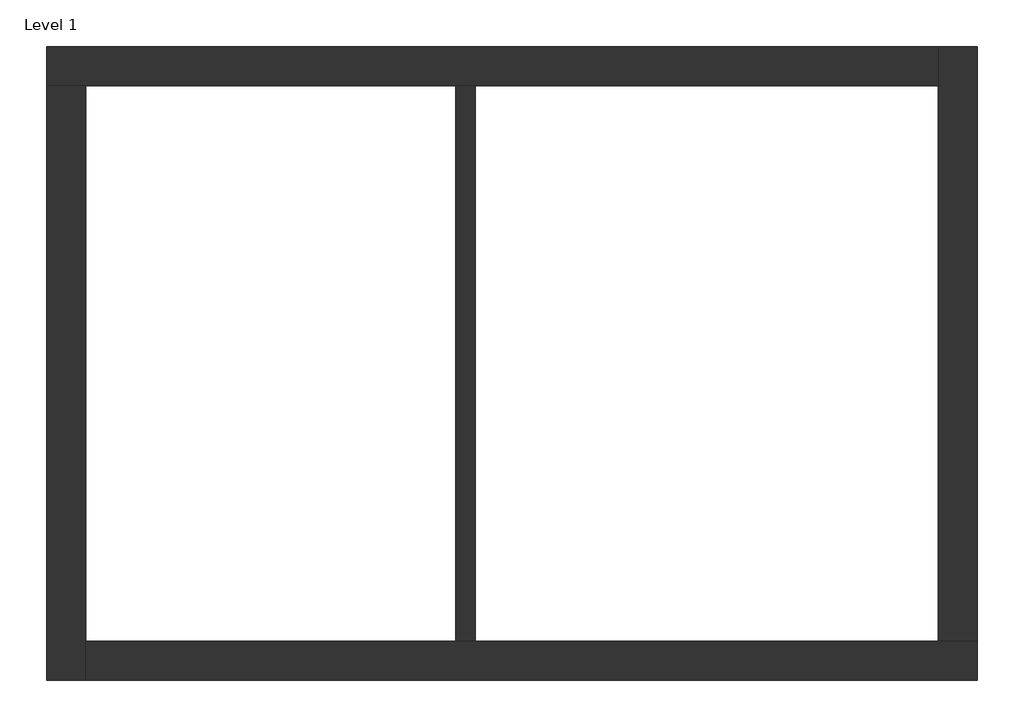
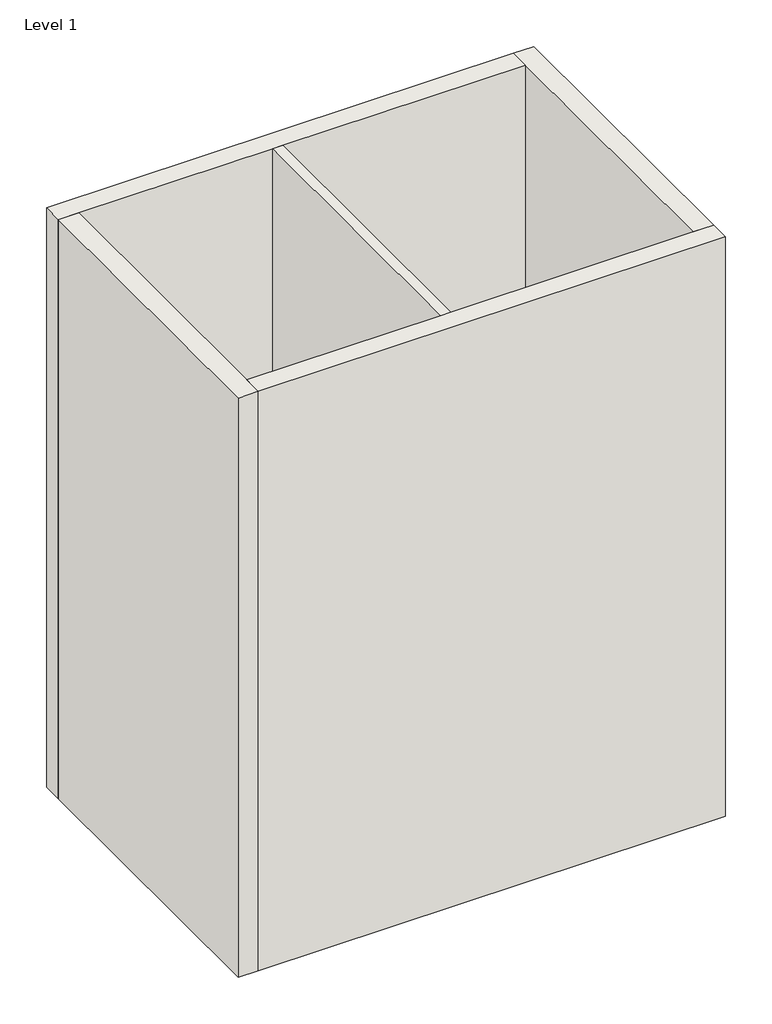
# One storey: 5 walls.
"""IFC4 building model written with IfcOpenShell, lengths in millimetres."""

import ifcopenshell
import ifcopenshell.guid

model = None  # the IFC model being written
_history = None  # IfcOwnerHistory: only IFC2X3 demands one
_inside = {}  # id of a spatial element -> (the spatial element, [elements in it])
_under = {}  # id of a project, library or spatial element -> (it, [spatial elements below it])
_declared = {}  # id of a project -> (the project, [libraries it declares])
_typed = {}  # id of a type object -> (the type object, [elements of that type])
_made_of = {}  # id of a material, layer set ... -> (it, [elements and type objects made of it])


def new_model(schema):
    """Start an empty IFC model of exactly this schema.

    Asked for "IFC4X3", IfcOpenShell would pick the latest addendum, in which some entities
    have other attributes; the version numbers below select the first issue.
    IFC2X3 requires an IfcOwnerHistory on every rooted entity: one is made here for all.
    """
    global model, _history
    if schema == "IFC4X3":
        model = ifcopenshell.file(schema_version=(4, 3, 0, 0))
    else:
        model = ifcopenshell.file(schema=schema)
    _inside.clear()
    _under.clear()
    _declared.clear()
    _typed.clear()
    _made_of.clear()
    _history = None
    if model.schema == "IFC2X3":
        org = make("IfcOrganization", Name="unknown")
        user = make(
            "IfcPersonAndOrganization",
            ThePerson=make("IfcPerson", FamilyName="unknown"),
            TheOrganization=org,
        )
        app = make(
            "IfcApplication",
            ApplicationDeveloper=org,
            Version="unknown",
            ApplicationFullName="unknown",
            ApplicationIdentifier="unknown",
        )
        _history = make(
            "IfcOwnerHistory",
            OwningUser=user,
            OwningApplication=app,
            ChangeAction="ADDED",
            CreationDate=0,
        )
    return model


def make(cls, **values):
    """One entity of the class cls with the attributes given. An attribute that is None is left unset."""
    return model.create_entity(
        cls, **{name: value for name, value in values.items() if value is not None}
    )


def rooted(cls, **values):
    """An entity with a GlobalId (a new one), such as an element, a storey or a relation."""
    return make(cls, GlobalId=ifcopenshell.guid.new(), OwnerHistory=_history, **values)


def si_unit(unit_type, name, prefix=None):
    """IfcSIUnit, for example si_unit("LENGTHUNIT", "METRE", prefix="MILLI")."""
    return make("IfcSIUnit", UnitType=unit_type, Prefix=prefix, Name=name)


def assignment(units):
    """IfcUnitAssignment: the units of a project."""
    return None if units is None else make("IfcUnitAssignment", Units=units)


def point(xyz):
    """IfcCartesianPoint."""
    return None if xyz is None else make("IfcCartesianPoint", Coordinates=xyz)


def direction(xyz):
    """IfcDirection."""
    return None if xyz is None else make("IfcDirection", DirectionRatios=xyz)


def frame(location, z_axis=None, x_axis=None):
    """IfcAxis2Placement3D, a coordinate frame: its origin and axes. An axis left out is left unset."""
    return make(
        "IfcAxis2Placement3D",
        Location=point(location),
        Axis=direction(z_axis),
        RefDirection=direction(x_axis),
    )


def origin():
    """The frame at (0, 0, 0) with its axes left unset."""
    return frame((0.0, 0.0, 0.0))


def origin_with_axes():
    """The frame at (0, 0, 0) with the z axis (0, 0, 1) and the x axis (1, 0, 0) written out."""
    return frame((0.0, 0.0, 0.0), z_axis=(0.0, 0.0, 1.0), x_axis=(1.0, 0.0, 0.0))


def place(relative_to, where):
    """IfcLocalPlacement: puts the frame where relative to a parent placement (None: the world)."""
    return make(
        "IfcLocalPlacement", PlacementRelTo=relative_to, RelativePlacement=where
    )


def context(
    kind, dimensions, precision=None, world=None, true_north=None, identifier=None
):
    """IfcGeometricRepresentationContext, for example the 3D "Model" context."""
    return make(
        "IfcGeometricRepresentationContext",
        ContextIdentifier=identifier,
        ContextType=kind,
        CoordinateSpaceDimension=dimensions,
        Precision=precision,
        WorldCoordinateSystem=world,
        TrueNorth=true_north,
    )


def project(units=None, contexts=None):
    """IfcProject with its units and contexts."""
    return rooted(
        "IfcProject",
        Name="project",
        RepresentationContexts=contexts,
        UnitsInContext=assignment(units),
    )


def spatial(cls, under=None, at=None, **own):
    """A site, building, storey or space (cls), placed at a placement, below another one or the project."""
    s = rooted(cls, ObjectPlacement=at, **own)
    if under is not None:
        _under.setdefault(under.id(), (under, []))[1].append(s)
    return s


def polyline(points):
    """IfcPolyline through the points."""
    return make("IfcPolyline", Points=[point(p) for p in points])


def outline(outer, holes=None, kind="AREA"):
    """IfcArbitraryClosedProfileDef: a profile drawn as a closed curve; with holes, ...WithVoids."""
    if holes is None:
        return make("IfcArbitraryClosedProfileDef", ProfileType=kind, OuterCurve=outer)
    return make(
        "IfcArbitraryProfileDefWithVoids",
        ProfileType=kind,
        OuterCurve=outer,
        InnerCurves=holes,
    )


def extrude(swept, where, along, depth):
    """IfcExtrudedAreaSolid: the profile swept, set in the frame where, extruded along a direction by depth."""
    return make(
        "IfcExtrudedAreaSolid",
        SweptArea=swept,
        Position=where,
        ExtrudedDirection=direction(along),
        Depth=depth,
    )


def faces_of(points, faces, orient=None, outer=None):
    """IfcFace entities. A face is a list of loops; a loop is a list of indices into points, from 0.

    orient and outer hold one flag for each loop. By default every Orientation is true, the
    first loop of a face is its IfcFaceOuterBound and the others are IfcFaceBound.
    """
    made = []
    for i, loops in enumerate(faces):
        bounds = []
        for j, loop in enumerate(loops):
            is_outer = j == 0 if outer is None else outer[i][j]
            bounds.append(
                make(
                    "IfcFaceOuterBound" if is_outer else "IfcFaceBound",
                    Bound=make("IfcPolyLoop", Polygon=[points[k] for k in loop]),
                    Orientation=True if orient is None else orient[i][j],
                )
            )
        made.append(make("IfcFace", Bounds=bounds))
    return made


def faceted_brep(points, faces, orient=None, outer=None, voids=None):
    """IfcFacetedBrep: a solid bounded by flat faces; with voids (closed shells), ...WithVoids."""
    shared = [point(p) for p in points]
    hull = make("IfcClosedShell", CfsFaces=faces_of(shared, faces, orient, outer))
    if voids is None:
        return make("IfcFacetedBrep", Outer=hull)
    return make(
        "IfcFacetedBrepWithVoids",
        Outer=hull,
        Voids=[
            make(cls, CfsFaces=faces_of(shared, fs, o, b)) for cls, fs, o, b in voids
        ],
    )


def shape(context_of_items, identifier, shape_type, items):
    """IfcShapeRepresentation: the items that make up one representation, for example the "Body"."""
    return make(
        "IfcShapeRepresentation",
        ContextOfItems=context_of_items,
        RepresentationIdentifier=identifier,
        RepresentationType=shape_type,
        Items=items,
    )


def made_of(thing, what):
    """Note that an element or type object is made of a material, layer set ...; save() writes the relation."""
    if what is not None:
        _made_of.setdefault(what.id(), (what, []))[1].append(thing)
    return thing


def element(
    cls,
    number,
    at=None,
    inside=None,
    cuts=None,
    type_object=None,
    material=None,
    context=None,
    identifier="Body",
    shape_type=None,
    held_by="IfcProductDefinitionShape",
    body=None,
    shapes=None,
    **own,
):
    """One element of the class cls, such as IfcWall. Its Tag is "e" and its number.

    at: its placement. inside: the storey or other place that contains it. cuts: it is an
    opening in that element (IfcRelVoidsElement). A single representation is given by context,
    identifier, shape_type and body (its items); several are given by shapes. held_by: the class
    of the entity that holds the representations. save() writes the other relations.
    """
    e = rooted(cls, Tag="e%d" % number, ObjectPlacement=at, **own)
    if body is not None:
        shapes = [shape(context, identifier, shape_type, body)]
    if shapes is not None:
        e.Representation = make(held_by, Representations=shapes)
    if inside is not None:
        _inside.setdefault(inside.id(), (inside, []))[1].append(e)
    if cuts is not None:
        rooted(
            "IfcRelVoidsElement", RelatingBuildingElement=cuts, RelatedOpeningElement=e
        )
    if type_object is not None:
        _typed.setdefault(type_object.id(), (type_object, []))[1].append(e)
    return made_of(e, material)


def aggregate(whole, parts):
    """IfcRelAggregates: a whole, such as a stair, and the parts it consists of."""
    return rooted("IfcRelAggregates", RelatingObject=whole, RelatedObjects=parts)


def save(model, path):
    """Write the relations noted so far, then the file.

    IfcRelAggregates (storeys below a building ...), IfcRelContainedInSpatialStructure (elements
    in a storey), IfcRelDefinesByType, IfcRelAssociatesMaterial and IfcRelDeclares: one each for
    every whole, place, type object, material and project.
    """
    for whole, parts in _under.values():
        aggregate(whole, parts)
    for where, things in _inside.values():
        rooted(
            "IfcRelContainedInSpatialStructure",
            RelatedElements=things,
            RelatingStructure=where,
        )
    for kind, things in _typed.values():
        rooted("IfcRelDefinesByType", RelatedObjects=things, RelatingType=kind)
    for what, things in _made_of.values():
        rooted("IfcRelAssociatesMaterial", RelatedObjects=things, RelatingMaterial=what)
    for by, libraries in _declared.values():
        rooted("IfcRelDeclares", RelatingContext=by, RelatedDefinitions=libraries)
    model.write(path)


model = new_model("IFC4")

# Units and contexts
model_context = context("Model", 3, world=origin())
ifc_project = project(units=[si_unit("LENGTHUNIT", "METRE", prefix="MILLI")], contexts=[model_context])

# Site, building, storey
site = spatial("IfcSite", under=ifc_project)
building = spatial("IfcBuilding", under=site)
storey = spatial("IfcBuildingStorey", under=building, Name="Level 1", Elevation=0.0)

# Walls
placement = place(None, origin())
element("IfcWall", 1, ObjectType="Wall 1", at=placement, inside=storey, context=model_context, shape_type="Brep", body=[
    faceted_brep([(-88.1175168, 3525.4589927, 0.0), (115.0824832, 3525.4589927, 0.0), (2045.4824832, 3525.4589927, 0.0), (2147.0824832, 3525.4589927, 0.0), (4560.0824832, 3525.4589927, 0.0), (4560.0824832, 3525.4589927, 6096.0), (2147.0824832, 3525.4589927, 6096.0), (2045.4824832, 3525.4589927, 6096.0), (115.0824832, 3525.4589927, 6096.0), (-88.1175168, 3525.4589927, 6096.0), (-88.1175168, 3728.6589927, 0.0), (-88.1175168, 3728.6589927, 6096.0), (4560.0824832, 3728.6589927, 6096.0), (4560.0824832, 3728.6589927, 0.0)], [[[0, 1, 2, 3, 4, 5, 6, 7, 8, 9]], [[10, 11, 12, 13]], [[4, 3, 2, 1, 0, 10, 13]], [[9, 8, 7, 6, 5, 12, 11]], [[0, 9, 11, 10]], [[5, 4, 13, 12]]]),
])
element("IfcWall", 2, ObjectType="Wall 1", at=placement, inside=storey, context=model_context, shape_type="Brep", body=[
    faceted_brep([(115.0824832, 426.6589927, 0.0), (115.0824832, 629.8589927, 0.0), (115.0824832, 3525.4589927, 0.0), (115.0824832, 3525.4589927, 6096.0), (115.0824832, 629.8589927, 6096.0), (115.0824832, 426.6589927, 6096.0), (-88.1175168, 426.6589927, 0.0), (-88.1175168, 426.6589927, 6096.0), (-88.1175168, 3525.4589927, 6096.0), (-88.1175168, 3525.4589927, 5829.3), (-88.1175168, 3525.4589927, 3352.8), (-88.1175168, 3525.4589927, 0.0)], [[[0, 1, 2, 3, 4, 5]], [[6, 7, 8, 9, 10, 11]], [[2, 1, 0, 6, 11]], [[5, 4, 3, 8, 7]], [[0, 5, 7, 6]], [[3, 2, 11, 10, 9, 8]]]),
])
element("IfcWall", 3, ObjectType="Wall 1", at=placement, inside=storey, context=model_context, shape_type="Brep", body=[
    faceted_brep([(4763.2824832, 629.8589927, 0.0), (4560.0824832, 629.8589927, 0.0), (2147.0824832, 629.8589927, 0.0), (2045.4824832, 629.8589927, 0.0), (115.0824832, 629.8589927, 0.0), (115.0824832, 629.8589927, 6096.0), (2045.4824832, 629.8589927, 6096.0), (2147.0824832, 629.8589927, 6096.0), (4560.0824832, 629.8589927, 6096.0), (4763.2824832, 629.8589927, 6096.0), (4763.2824832, 426.6589927, 0.0), (4763.2824832, 426.6589927, 6096.0), (115.0824832, 426.6589927, 6096.0), (115.0824832, 426.6589927, 0.0)], [[[0, 1, 2, 3, 4, 5, 6, 7, 8, 9]], [[10, 11, 12, 13]], [[4, 3, 2, 1, 0, 10, 13]], [[9, 8, 7, 6, 5, 12, 11]], [[0, 9, 11, 10]], [[5, 4, 13, 12]]]),
])
element("IfcWall", 4, ObjectType="Wall 1", at=placement, inside=storey, context=model_context, shape_type="Brep", body=[
    faceted_brep([(4560.0824832, 3728.6589927, 0.0), (4560.0824832, 3525.4589927, 0.0), (4560.0824832, 629.8589927, 0.0), (4560.0824832, 629.8589927, 6096.0), (4560.0824832, 3525.4589927, 6096.0), (4560.0824832, 3728.6589927, 6096.0), (4763.2824832, 3728.6589927, 0.0), (4763.2824832, 3728.6589927, 6096.0), (4763.2824832, 629.8589927, 6096.0), (4763.2824832, 629.8589927, 0.0)], [[[0, 1, 2, 3, 4, 5]], [[6, 7, 8, 9]], [[2, 1, 0, 6, 9]], [[5, 4, 3, 8, 7]], [[0, 5, 7, 6]], [[3, 2, 9, 8]]]),
])
element("IfcWall", 5, ObjectType="int", at=placement, inside=storey, context=model_context, shape_type="SweptSolid", body=[
    extrude(outline(polyline([(2045.4824832, 629.8589927), (2045.4824832, 3525.4589927), (2147.0824832, 3525.4589927), (2147.0824832, 629.8589927), (2045.4824832, 629.8589927)])), origin_with_axes(), (0.0, 0.0, 1.0), 6096.0),
])

save(model, "model.ifc")
